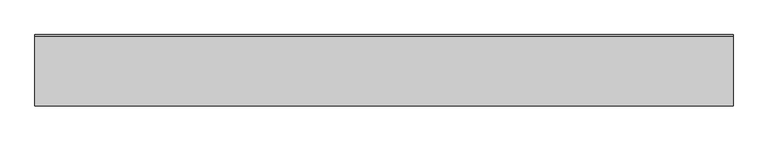
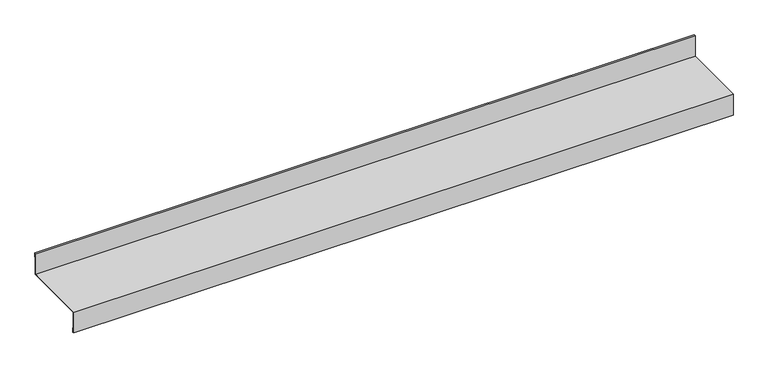
"""IFC4 building model written with IfcOpenShell, lengths in millimetres: proxy geometry."""

from ifc_helpers import new_model, si_unit, origin, place, context, project, spatial, faceted_brep, source, transform, mapped, element, save


def generic_models_2f652582(model_context):
    return source(origin(), model_context, "Body", "Brep", [
        faceted_brep([(0.0, 145.0, 2.0), (0.0, -5.0, 2.0), (1500.0, -5.0, 2.0), (1500.0, 145.0, 2.0), (0.0, 145.0, 52.0), (1500.0, 145.0, 52.0), (0.0, 148.0, 52.0), (1500.0, 148.0, 52.0), (0.0, 148.0, 42.0), (1500.0, 148.0, 42.0), (0.0, 147.0, 42.0), (1500.0, 147.0, 42.0), (0.0, 147.0, 51.0), (1500.0, 147.0, 51.0), (0.0, 146.0, 51.0), (1500.0, 146.0, 51.0), (0.0, 146.0, 1.0), (1500.0, 146.0, 1.0), (0.0, -4.0, 1.0), (1500.0, -4.0, 1.0), (0.0, -4.0, 0.0), (1500.0, -4.0, 0.0), (1500.0, -4.0, -47.0), (0.0, -4.0, -47.0), (0.0, -3.0, -47.0), (1500.0, -3.0, -47.0), (0.0, -3.0, -38.0), (1500.0, -3.0, -38.0), (0.0, -2.0, -38.0), (1500.0, -2.0, -38.0), (0.0, -2.0, -48.0), (1500.0, -2.0, -48.0), (0.0, -5.0, -48.0), (1500.0, -5.0, -48.0), (0.0, -5.0, 0.0), (1500.0, -5.0, 0.0)], [[[0, 1, 2, 3]], [[4, 0, 3, 5]], [[6, 4, 5, 7]], [[8, 6, 7, 9]], [[10, 8, 9, 11]], [[12, 10, 11, 13]], [[14, 12, 13, 15]], [[16, 14, 15, 17]], [[18, 16, 17, 19]], [[20, 18, 19, 21, 22, 23]], [[24, 23, 22, 25]], [[26, 24, 25, 27]], [[28, 26, 27, 29]], [[30, 28, 29, 31]], [[32, 30, 31, 33]], [[1, 34, 32, 33, 35, 2]], [[20, 34, 1, 0, 4, 6, 8, 10, 12, 14, 16, 18]], [[34, 20, 23, 24, 26, 28, 30, 32]], [[35, 21, 19, 17, 15, 13, 11, 9, 7, 5, 3, 2]], [[21, 35, 33, 31, 29, 27, 25, 22]]]),
    ])


if __name__ == "__main__":
    model = new_model("IFC4")
    model_context = context("Model", 3, world=origin())
    ifc_project = project(units=[si_unit("LENGTHUNIT", "METRE", prefix="MILLI")], contexts=[model_context])
    site = spatial("IfcSite", under=ifc_project)
    building = spatial("IfcBuilding", under=site)
    placement = place(None, origin())
    generic_models_shape = generic_models_2f652582(model_context)
    element("IfcBuildingElementProxy", 1, Name="Generic Models", at=placement, inside=building, context=model_context, shape_type="MappedRepresentation", body=[
        mapped(generic_models_shape, transform((0.0, 0.0, 0.0), x_axis=(1.0, 0.0, 0.0), y_axis=(0.0, 1.0, 0.0), z_axis=(0.0, 0.0, 1.0))),
    ])
    save(model, "model.ifc")
